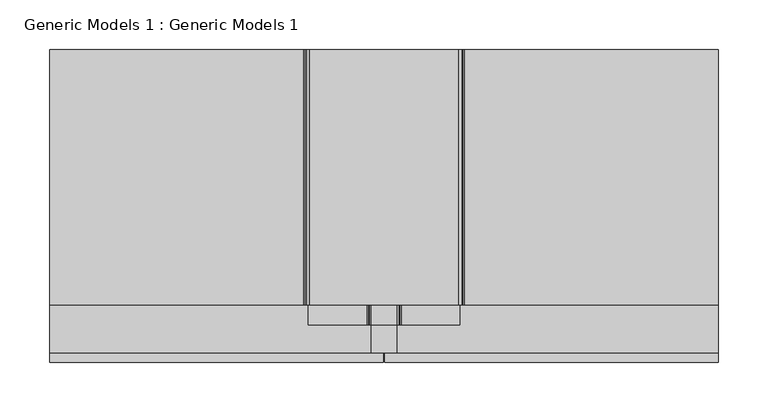
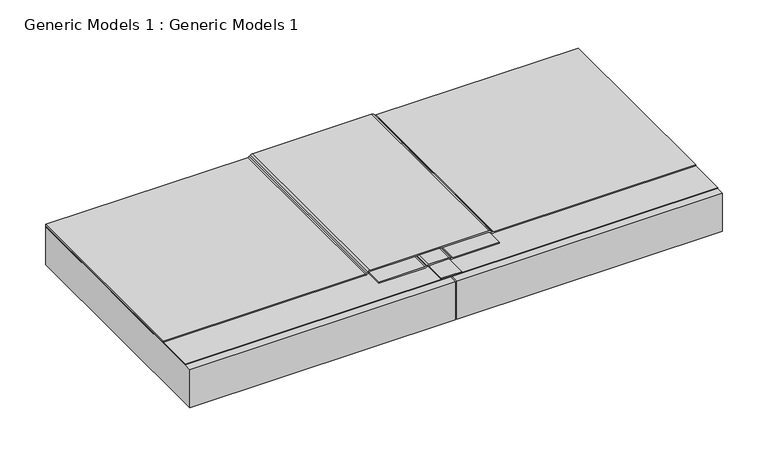
"""IFC4 building model written with IfcOpenShell, lengths in millimetres: proxy geometry, Generic Models 1 : Generic Models 1."""

from ifc_helpers import new_model, si_unit, point, frame, frame_2d, origin, place, context, project, spatial, polyline, circle_curve, trimmed, segment, composite_curve, outline, extrude, source, transform, mapped, element, save


def generic_models_1_generic_models_1_fb673222(model_context):
    return source(origin(), model_context, "Body", "SweptSolid", [
        extrude(outline(composite_curve([segment(polyline([(192.88125, 63.4926207), (192.88125, 38.1073793)]), True, "CONTINUOUS"), segment(trimmed(circle_curve(frame_2d((188.11875, 38.1073793)), 4.7625), [point((192.88125, 38.1073793))], [point((192.243196, 35.7261293))], False, "CARTESIAN"), True, "CONTINUOUS"), segment(polyline([(192.243196, 35.7261293), (191.7191193, 34.8184019)]), True, "CONTINUOUS"), segment(trimmed(circle_curve(frame_2d((194.46875, 33.2309019)), 3.175), [point((191.7191193, 34.8184019))], [point((191.29375, 33.2309019))], True, "CARTESIAN"), True, "CONTINUOUS"), segment(polyline([(191.29375, 33.2309019), (191.29375, -25.4), (189.70625, -25.4), (189.70625, 33.2309019)]), True, "CONTINUOUS"), segment(trimmed(circle_curve(frame_2d((194.46875, 33.2309019)), 4.7625), [point((189.70625, 33.2309019))], [point((190.344304, 35.6121519))], False, "CARTESIAN"), True, "CONTINUOUS"), segment(polyline([(190.344304, 35.6121519), (190.8683807, 36.5198793)]), True, "CONTINUOUS"), segment(trimmed(circle_curve(frame_2d((188.11875, 38.1073793)), 3.175), [point((190.8683807, 36.5198793))], [point((191.29375, 38.1073793))], True, "CARTESIAN"), True, "CONTINUOUS"), segment(polyline([(191.29375, 38.1073793), (191.29375, 63.4926207)]), True, "CONTINUOUS"), segment(trimmed(circle_curve(frame_2d((188.11875, 63.4926207)), 3.175), [point((191.29375, 63.4926207))], [point((190.8683807, 65.0801207))], True, "CARTESIAN"), True, "CONTINUOUS"), segment(polyline([(190.8683807, 65.0801207), (190.344304, 65.9878481)]), True, "CONTINUOUS"), segment(trimmed(circle_curve(frame_2d((194.46875, 68.3690981)), 4.7625), [point((190.344304, 65.9878481))], [point((189.70625, 68.3690981))], False, "CARTESIAN"), True, "CONTINUOUS"), segment(polyline([(189.70625, 68.3690981), (189.70625, 127.0), (191.29375, 127.0), (191.29375, 68.3690981)]), True, "CONTINUOUS"), segment(trimmed(circle_curve(frame_2d((194.46875, 68.3690981)), 3.175), [point((191.29375, 68.3690981))], [point((191.7191193, 66.7815981))], True, "CARTESIAN"), True, "CONTINUOUS"), segment(polyline([(191.7191193, 66.7815981), (192.243196, 65.8738707)]), True, "CONTINUOUS"), segment(trimmed(circle_curve(frame_2d((188.11875, 63.4926207)), 4.7625), [point((192.243196, 65.8738707))], [point((192.88125, 63.4926207))], False, "CARTESIAN"), True, "CONTINUOUS")], self_intersect=False)), frame((0.0, 39.8845984, 0.0), z_axis=(0.0, 1.0, 0.0), x_axis=(0.0, 0.0, 1.0)), (0.0, 0.0, 1.0), 277.6154016),
        extrude(outline(polyline([(38.1, 317.5), (63.5, 317.5), (63.5, 12.1207667), (38.1, 12.1207667), (38.1, 317.5)])), frame((0.0, 0.0, 189.70625), z_axis=(0.0, 0.0, 1.0), x_axis=(1.0, 0.0, 0.0)), (0.0, 0.0, 1.0), 1.5875),
        extrude(outline(composite_curve([segment(trimmed(circle_curve(frame_2d((194.46875, -30.5476921)), 4.7625), [point((189.70625, -30.5476921))], [point((191.101154, -27.180096))], False, "CARTESIAN"), True, "CONTINUOUS"), segment(polyline([(191.101154, -27.180096), (191.951314, -26.329936)]), True, "CONTINUOUS"), segment(trimmed(circle_curve(frame_2d((189.70625, -24.0848719)), 3.175), [point((191.951314, -26.329936))], [point((192.88125, -24.0848719))], True, "CARTESIAN"), True, "CONTINUOUS"), segment(polyline([(192.88125, -24.0848719), (192.88125, 125.6848719)]), True, "CONTINUOUS"), segment(trimmed(circle_curve(frame_2d((189.70625, 125.6848719)), 3.175), [point((192.88125, 125.6848719))], [point((191.951314, 127.929936))], True, "CARTESIAN"), True, "CONTINUOUS"), segment(polyline([(191.951314, 127.929936), (191.101154, 128.780096)]), True, "CONTINUOUS"), segment(trimmed(circle_curve(frame_2d((194.46875, 132.1476921)), 4.7625), [point((191.101154, 128.780096))], [point((189.70625, 132.1476921))], False, "CARTESIAN"), True, "CONTINUOUS"), segment(polyline([(189.70625, 132.1476921), (189.70625, 387.35), (191.29375, 387.35), (191.29375, 132.1476921)]), True, "CONTINUOUS"), segment(trimmed(circle_curve(frame_2d((194.46875, 132.1476921)), 3.175), [point((191.29375, 132.1476921))], [point((192.223686, 129.9026281))], True, "CARTESIAN"), True, "CONTINUOUS"), segment(polyline([(192.223686, 129.9026281), (193.073846, 129.052468)]), True, "CONTINUOUS"), segment(trimmed(circle_curve(frame_2d((189.70625, 125.6848719)), 4.7625), [point((193.073846, 129.052468))], [point((194.46875, 125.6848719))], False, "CARTESIAN"), True, "CONTINUOUS"), segment(polyline([(194.46875, 125.6848719), (194.46875, -24.0848719)]), True, "CONTINUOUS"), segment(trimmed(circle_curve(frame_2d((189.70625, -24.0848719)), 4.7625), [point((194.46875, -24.0848719))], [point((193.073846, -27.452468))], False, "CARTESIAN"), True, "CONTINUOUS"), segment(polyline([(193.073846, -27.452468), (192.223686, -28.3026281)]), True, "CONTINUOUS"), segment(trimmed(circle_curve(frame_2d((194.46875, -30.5476921)), 3.175), [point((192.223686, -28.3026281))], [point((191.29375, -30.5476921))], True, "CARTESIAN"), True, "CONTINUOUS"), segment(polyline([(191.29375, -30.5476921), (191.29375, -285.75), (189.70625, -285.75), (189.70625, -30.5476921)]), True, "CONTINUOUS")], self_intersect=False)), frame((0.0, 60.368829, 0.0), z_axis=(0.0, 1.0, 0.0), x_axis=(0.0, 0.0, 1.0)), (0.0, 0.0, 1.0), 257.131171),
        extrude(outline(polyline([(50.00625, 2.38125), (-285.75, 2.38125), (-285.75, 317.5), (50.00625, 317.5), (50.00625, 2.38125)])), frame((0.0, 0.0, 137.31875), z_axis=(0.0, 0.0, 1.0), x_axis=(1.0, 0.0, 0.0)), (0.0, 0.0, 1.0), 50.8),
        extrude(outline(polyline([(387.35, 12.1207667), (-285.75, 12.1207667), (-285.75, 317.5), (387.35, 317.5), (387.35, 12.1207667)])), frame((0.0, 0.0, 188.9125), z_axis=(0.0, 0.0, 1.0), x_axis=(1.0, 0.0, 0.0)), (0.0, 0.0, 1.0), 0.79375),
        extrude(outline(polyline([(387.35, 2.38125), (51.59375, 2.38125), (51.59375, 317.5), (387.35, 317.5), (387.35, 2.38125)])), frame((0.0, 0.0, 137.31875), z_axis=(0.0, 0.0, 1.0), x_axis=(1.0, 0.0, 0.0)), (0.0, 0.0, 1.0), 50.8),
    ])


if __name__ == "__main__":
    model = new_model("IFC4")
    model_context = context("Model", 3, world=origin())
    ifc_project = project(units=[si_unit("LENGTHUNIT", "METRE", prefix="MILLI")], contexts=[model_context])
    site = spatial("IfcSite", under=ifc_project)
    building = spatial("IfcBuilding", under=site)
    placement = place(None, origin())
    generic_models_1_generic_models_1_shape = generic_models_1_generic_models_1_fb673222(model_context)
    element("IfcBuildingElementProxy", 1, Name="Generic Models 1 : Generic Models 1", ObjectType="Generic Models 1 : Generic Models 1", at=placement, inside=building, context=model_context, shape_type="MappedRepresentation", body=[
        mapped(generic_models_1_generic_models_1_shape, transform((0.0, 0.0, 0.0), x_axis=(1.0, 0.0, 0.0), y_axis=(0.0, 1.0, 0.0), z_axis=(0.0, 0.0, 1.0))),
    ])
    save(model, "model.ifc")
